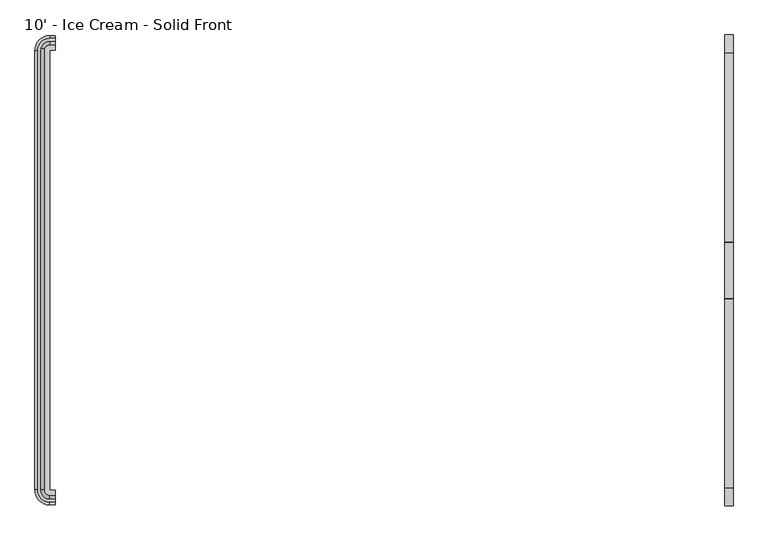
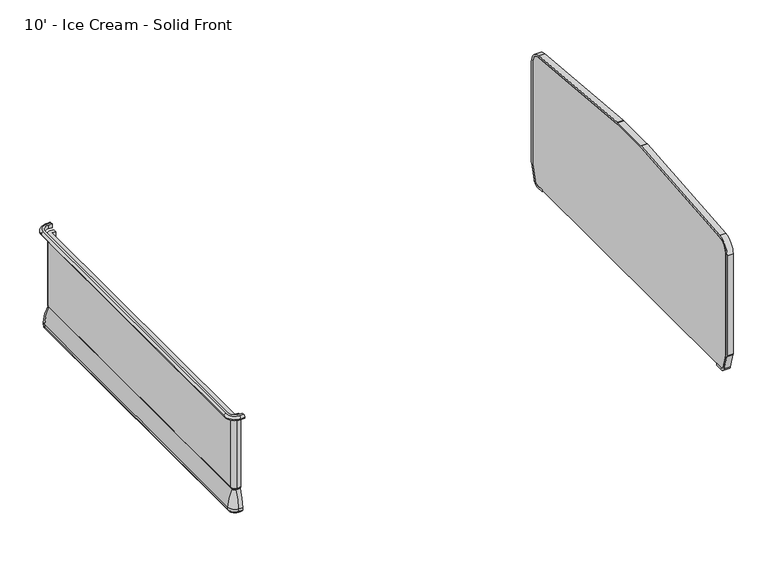
"""IFC4 building model written with IfcOpenShell, lengths in millimetres: proxy geometry, 10' - Ice Cream - Solid Front."""

from ifc_helpers import new_model, si_unit, point, frame, frame_2d, origin, place, context, project, spatial, polyline, circle_curve, ellipse_curve, trimmed, segment, composite_curve, outline, extrude, source, transform, mapped, element, save
from ifc_brep_helpers import plane_surface, cylinder_surface, revolved_surface, advanced_brep


def proxy_10_ice_cream_solid_front_88d4a629(model_context):
    return source(origin(), model_context, "Body", "SolidModel", [
        extrude(outline(composite_curve([segment(trimmed(circle_curve(frame_2d((-448.7907325, 105.4346764)), 25.4), [point((-448.7907325, 80.0346764))], [point((-424.3934681, 98.3683131))], True, "CARTESIAN"), True, "CONTINUOUS"), segment(polyline([(-424.3934681, 98.3683131), (-396.5553629, 194.4819131)]), True, "CONTINUOUS"), segment(trimmed(circle_curve(frame_2d((-420.9526273, 201.5482764)), 25.4), [point((-396.5553629, 194.4819131))], [point((-395.5526273, 201.5482764))], True, "CARTESIAN"), True, "CONTINUOUS"), segment(polyline([(-395.5526273, 201.5482764), (-395.5526273, 867.4346764)]), True, "CONTINUOUS"), segment(trimmed(circle_curve(frame_2d((-471.7526273, 867.4346764)), 76.2), [point((-395.5526273, 867.4346764))], [point((-465.008014, 943.3355999))], True, "CARTESIAN"), True, "CONTINUOUS"), segment(polyline([(-465.008014, 943.3355999), (-1324.7732229, 1019.7349842)]), True, "CONTINUOUS"), segment(trimmed(circle_curve(frame_2d((-1327.0214273, 994.4346764)), 25.4), [point((-1324.7732229, 1019.7349842))], [point((-1327.0214273, 1019.8346764))], True, "CARTESIAN"), True, "CONTINUOUS"), segment(polyline([(-1327.0214273, 1019.8346764), (-1581.0214273, 1019.8346764)]), True, "CONTINUOUS"), segment(trimmed(circle_curve(frame_2d((-1581.0214273, 994.4346764)), 25.4), [point((-1581.0214273, 1019.8346764))], [point((-1583.2696317, 1019.7349842))], True, "CARTESIAN"), True, "CONTINUOUS"), segment(polyline([(-1583.2696317, 1019.7349842), (-2443.0348406, 943.3355999)]), True, "CONTINUOUS"), segment(trimmed(circle_curve(frame_2d((-2436.2902273, 867.4346764)), 76.2), [point((-2443.0348406, 943.3355999))], [point((-2512.4902273, 867.4346764))], True, "CARTESIAN"), True, "CONTINUOUS"), segment(polyline([(-2512.4902273, 867.4346764), (-2512.4902273, 201.5482764)]), True, "CONTINUOUS"), segment(trimmed(circle_curve(frame_2d((-2487.0902273, 201.5482764)), 25.4), [point((-2512.4902273, 201.5482764))], [point((-2511.4874917, 194.4819131))], True, "CARTESIAN"), True, "CONTINUOUS"), segment(polyline([(-2511.4874917, 194.4819131), (-2483.6493865, 98.3683131)]), True, "CONTINUOUS"), segment(trimmed(circle_curve(frame_2d((-2459.2521221, 105.4346764)), 25.4), [point((-2483.6493865, 98.3683131))], [point((-2459.2521221, 80.0346764))], True, "CARTESIAN"), True, "CONTINUOUS"), segment(polyline([(-2459.2521221, 80.0346764), (-2409.6329734, 80.0346764), (-2409.6329734, 67.3346764), (-2459.2521221, 67.3346764)]), True, "CONTINUOUS"), segment(trimmed(circle_curve(frame_2d((-2459.2521221, 105.4346764)), 38.1), [point((-2459.2521221, 67.3346764))], [point((-2495.8480186, 94.8351315))], False, "CARTESIAN"), True, "CONTINUOUS"), segment(polyline([(-2495.8480186, 94.8351315), (-2523.6861239, 190.9487315)]), True, "CONTINUOUS"), segment(trimmed(circle_curve(frame_2d((-2487.0902273, 201.5482764)), 38.1), [point((-2523.6861239, 190.9487315))], [point((-2525.1902273, 201.5482764))], False, "CARTESIAN"), True, "CONTINUOUS"), segment(polyline([(-2525.1902273, 201.5482764), (-2525.1902273, 867.4346764)]), True, "CONTINUOUS"), segment(trimmed(circle_curve(frame_2d((-2436.2902273, 867.4346764)), 88.9), [point((-2525.1902273, 867.4346764))], [point((-2444.1589428, 955.9857538))], False, "CARTESIAN"), True, "CONTINUOUS"), segment(polyline([(-2444.1589428, 955.9857538), (-1584.3937339, 1032.3851381)]), True, "CONTINUOUS"), segment(trimmed(circle_curve(frame_2d((-1581.0214273, 994.4346764)), 38.1), [point((-1584.3937339, 1032.3851381))], [point((-1581.0214273, 1032.5346764))], False, "CARTESIAN"), True, "CONTINUOUS"), segment(polyline([(-1581.0214273, 1032.5346764), (-1327.0214273, 1032.5346764)]), True, "CONTINUOUS"), segment(trimmed(circle_curve(frame_2d((-1327.0214273, 994.4346764)), 38.1), [point((-1327.0214273, 1032.5346764))], [point((-1323.6491207, 1032.3851381))], False, "CARTESIAN"), True, "CONTINUOUS"), segment(polyline([(-1323.6491207, 1032.3851381), (-463.8839118, 955.9857538)]), True, "CONTINUOUS"), segment(trimmed(circle_curve(frame_2d((-471.7526273, 867.4346764)), 88.9), [point((-463.8839118, 955.9857538))], [point((-382.8526273, 867.4346764))], False, "CARTESIAN"), True, "CONTINUOUS"), segment(polyline([(-382.8526273, 867.4346764), (-382.8526273, 201.5482764)]), True, "CONTINUOUS"), segment(trimmed(circle_curve(frame_2d((-420.9526273, 201.5482764)), 38.1), [point((-382.8526273, 201.5482764))], [point((-384.3567307, 190.9487315))], False, "CARTESIAN"), True, "CONTINUOUS"), segment(polyline([(-384.3567307, 190.9487315), (-412.1948359, 94.8351315)]), True, "CONTINUOUS"), segment(trimmed(circle_curve(frame_2d((-448.7907325, 105.4346764)), 38.1), [point((-412.1948359, 94.8351315))], [point((-448.7907325, 67.3346764))], False, "CARTESIAN"), True, "CONTINUOUS"), segment(polyline([(-448.7907325, 67.3346764), (-498.4098812, 67.3346764), (-498.4098812, 80.0346764), (-448.7907325, 80.0346764)]), True, "CONTINUOUS")], self_intersect=False)), frame((3048.0, 0.0, 0.0), z_axis=(1.0, 0.0, 0.0), x_axis=(0.0, 1.0, 0.0)), (0.0, 0.0, 1.0), 38.1),
        extrude(outline(composite_curve([segment(polyline([(-448.7907325, 80.0346764), (-2459.2521221, 80.0346764)]), True, "CONTINUOUS"), segment(trimmed(circle_curve(frame_2d((-2459.2521221, 105.4346764)), 25.4), [point((-2459.2521221, 80.0346764))], [point((-2483.6493865, 98.3683131))], False, "CARTESIAN"), True, "CONTINUOUS"), segment(polyline([(-2483.6493865, 98.3683131), (-2511.4874917, 194.4819131)]), True, "CONTINUOUS"), segment(trimmed(circle_curve(frame_2d((-2487.0902273, 201.5482764)), 25.4), [point((-2511.4874917, 194.4819131))], [point((-2512.4902273, 201.5482764))], False, "CARTESIAN"), True, "CONTINUOUS"), segment(polyline([(-2512.4902273, 201.5482764), (-2512.4902273, 867.4346764)]), True, "CONTINUOUS"), segment(trimmed(circle_curve(frame_2d((-2436.2902273, 867.4346764)), 76.2), [point((-2512.4902273, 867.4346764))], [point((-2443.0348406, 943.3355999))], False, "CARTESIAN"), True, "CONTINUOUS"), segment(polyline([(-2443.0348406, 943.3355999), (-1583.2696317, 1019.7349842)]), True, "CONTINUOUS"), segment(trimmed(circle_curve(frame_2d((-1581.0214273, 994.4346764)), 25.4), [point((-1583.2696317, 1019.7349842))], [point((-1581.0214273, 1019.8346764))], False, "CARTESIAN"), True, "CONTINUOUS"), segment(polyline([(-1581.0214273, 1019.8346764), (-1327.0214273, 1019.8346764)]), True, "CONTINUOUS"), segment(trimmed(circle_curve(frame_2d((-1327.0214273, 994.4346764)), 25.4), [point((-1327.0214273, 1019.8346764))], [point((-1324.7732229, 1019.7349842))], False, "CARTESIAN"), True, "CONTINUOUS"), segment(polyline([(-1324.7732229, 1019.7349842), (-465.008014, 943.3355999)]), True, "CONTINUOUS"), segment(trimmed(circle_curve(frame_2d((-471.7526273, 867.4346764)), 76.2), [point((-465.008014, 943.3355999))], [point((-395.5526273, 867.4346764))], False, "CARTESIAN"), True, "CONTINUOUS"), segment(polyline([(-395.5526273, 867.4346764), (-395.5526273, 201.5482764)]), True, "CONTINUOUS"), segment(trimmed(circle_curve(frame_2d((-420.9526273, 201.5482764)), 25.4), [point((-395.5526273, 201.5482764))], [point((-396.5553629, 194.4819131))], False, "CARTESIAN"), True, "CONTINUOUS"), segment(polyline([(-396.5553629, 194.4819131), (-424.3934681, 98.3683131)]), True, "CONTINUOUS"), segment(trimmed(circle_curve(frame_2d((-448.7907325, 105.4346764)), 25.4), [point((-424.3934681, 98.3683131))], [point((-448.7907325, 80.0346764))], False, "CARTESIAN"), True, "CONTINUOUS")], self_intersect=False)), frame((3048.0, 0.0, 0.0), z_axis=(1.0, 0.0, 0.0), x_axis=(0.0, 1.0, 0.0)), (0.0, 0.0, 1.0), 38.1),
        advanced_brep(
        [(0.0, -2509.5631602, 866.4774073), (0.0, -2522.2631602, 853.7774073), (0.0, -2509.5631602, 841.0774073), (0.0, -2497.1486734, 841.0774073), (0.0, -2497.1486734, 866.4774073), (-23.8125, -2509.5631602, 866.4774073), (-23.8125, -2522.2631602, 853.7774073), (-23.8125, -2509.5631602, 841.0774073), (-79.2292329, -2454.1464273, 841.0774073), (-79.2292329, -453.8964273, 841.0774073), (-23.8125, -398.4796944, 841.0774073), (0.0, -398.4796944, 841.0774073), (0.0, -410.8941812, 841.0774073), (-23.8125, -410.8941812, 841.0774073), (-66.8147461, -453.8964273, 841.0774073), (-66.8147461, -2454.1464273, 841.0774073), (-23.8125, -2497.1486734, 841.0774073), (-23.8125, -2497.1486734, 866.4774073), (-66.8147461, -2454.1464273, 866.4774073), (-66.8147461, -453.8964273, 866.4774073), (-23.8125, -410.8941812, 866.4774073), (0.0, -410.8941812, 866.4774073), (0.0, -398.4796944, 866.4774073), (-23.8125, -398.4796944, 866.4774073), (-79.2292329, -453.8964273, 866.4774073), (-79.2292329, -2454.1464273, 866.4774073), (-91.9292329, -2454.1464273, 853.7774073), (-91.9292329, -453.8964273, 853.7774073), (-23.8125, -385.7796944, 853.7774073), (0.0, -385.7796944, 853.7774073)],
        [
            (0, 1, circle_curve(frame((0.0, -2509.5631602, 853.7774073), z_axis=(1.0, 0.0, 0.0), x_axis=(0.0, -1.0, 0.0)), 12.7)),
            (1, 2, circle_curve(frame((0.0, -2509.5631602, 853.7774073), z_axis=(1.0, 0.0, 0.0), x_axis=(0.0, -1.0, 0.0)), 12.7)),
            (2, 3),
            (3, 4),
            (4, 0),
            (0, 5),
            (5, 6, circle_curve(frame((-23.8125, -2509.5631602, 853.7774073), z_axis=(1.0, 0.0, 0.0), x_axis=(0.0, -1.0, 0.0)), 12.7)),
            (6, 1),
            (6, 7, circle_curve(frame((-23.8125, -2509.5631602, 853.7774073), z_axis=(1.0, 0.0, 0.0), x_axis=(0.0, -1.0, 0.0)), 12.7)),
            (7, 2),
            (7, 8, circle_curve(frame((-23.8125, -2454.1464273, 841.0774073), z_axis=(0.0, 0.0, -1.0), x_axis=(0.0, -1.0, 0.0)), 55.4167329)),
            (8, 9),
            (9, 10, circle_curve(frame((-23.8125, -453.8964273, 841.0774073), z_axis=(0.0, 0.0, -1.0), x_axis=(-1.0, 0.0, 0.0)), 55.4167329)),
            (10, 11),
            (11, 12),
            (12, 13),
            (13, 14, circle_curve(frame((-23.8125, -453.8964273, 841.0774073), z_axis=(0.0, 0.0, 1.0), x_axis=(-1.0, 0.0, 0.0)), 43.0022461)),
            (14, 15),
            (15, 16, circle_curve(frame((-23.8125, -2454.1464273, 841.0774073), z_axis=(0.0, 0.0, 1.0), x_axis=(0.0, -1.0, 0.0)), 43.0022461)),
            (16, 3),
            (16, 17),
            (17, 4),
            (17, 18, circle_curve(frame((-23.8125, -2454.1464273, 866.4774073), z_axis=(0.0, 0.0, -1.0), x_axis=(0.0, -1.0, 0.0)), 43.0022461)),
            (18, 19),
            (19, 20, circle_curve(frame((-23.8125, -453.8964273, 866.4774073), z_axis=(0.0, 0.0, -1.0), x_axis=(-1.0, 0.0, 0.0)), 43.0022461)),
            (20, 21),
            (21, 22),
            (22, 23),
            (23, 24, circle_curve(frame((-23.8125, -453.8964273, 866.4774073), z_axis=(0.0, 0.0, 1.0), x_axis=(-1.0, 0.0, 0.0)), 55.4167329)),
            (24, 25),
            (25, 5, circle_curve(frame((-23.8125, -2454.1464273, 866.4774073), z_axis=(0.0, 0.0, 1.0), x_axis=(0.0, -1.0, 0.0)), 55.4167329)),
            (26, 6, circle_curve(frame((-23.8125, -2454.1464273, 853.7774073), z_axis=(0.0, 0.0, 1.0), x_axis=(0.0, -1.0, 0.0)), 68.1167329)),
            (25, 26, circle_curve(frame((-79.2292329, -2454.1464273, 853.7774073), z_axis=(0.0, -1.0, 0.0), x_axis=(-1.0, 0.0, 0.0)), 12.7)),
            (26, 8, circle_curve(frame((-79.2292329, -2454.1464273, 853.7774073), z_axis=(0.0, -1.0, 0.0), x_axis=(-1.0, 0.0, 0.0)), 12.7)),
            (15, 18),
            (24, 27, circle_curve(frame((-79.2292329, -453.8964273, 853.7774073), z_axis=(0.0, -1.0, 0.0), x_axis=(-1.0, 0.0, 0.0)), 12.7)),
            (27, 26),
            (27, 9, circle_curve(frame((-79.2292329, -453.8964273, 853.7774073), z_axis=(0.0, -1.0, 0.0), x_axis=(-1.0, 0.0, 0.0)), 12.7)),
            (14, 19),
            (28, 27, circle_curve(frame((-23.8125, -453.8964273, 853.7774073), z_axis=(0.0, 0.0, 1.0), x_axis=(-1.0, 0.0, 0.0)), 68.1167329)),
            (23, 28, circle_curve(frame((-23.8125, -398.4796944, 853.7774073), z_axis=(-1.0, 0.0, 0.0), x_axis=(0.0, 1.0, 0.0)), 12.7)),
            (28, 10, circle_curve(frame((-23.8125, -398.4796944, 853.7774073), z_axis=(-1.0, 0.0, 0.0), x_axis=(0.0, 1.0, 0.0)), 12.7)),
            (13, 20),
            (21, 12),
            (11, 29, circle_curve(frame((0.0, -398.4796944, 853.7774073), z_axis=(1.0, 0.0, 0.0), x_axis=(0.0, 1.0, 0.0)), 12.7)),
            (29, 22, circle_curve(frame((0.0, -398.4796944, 853.7774073), z_axis=(1.0, 0.0, 0.0), x_axis=(0.0, 1.0, 0.0)), 12.7)),
            (29, 28),
        ],
        [
            plane_surface(frame((0.0, -2506.5339273, -50.8), z_axis=(1.0, 0.0, 0.0), x_axis=(0.0, 0.0, 1.0))),
            cylinder_surface(frame((0.0, -2509.5631602, 853.7774073), z_axis=(1.0, 0.0, 0.0), x_axis=(0.0, -1.0, 0.0)), 12.7),
            plane_surface(frame((0.0, -2509.5631602, 841.0774073), z_axis=(0.0, 0.0, -1.0), x_axis=(-1.0, 0.0, 0.0))),
            plane_surface(frame((0.0, -2497.1486734, 841.0774073), z_axis=(0.0, 1.0, 0.0), x_axis=(-1.0, 0.0, 0.0))),
            plane_surface(frame((0.0, -2497.1486734, 866.4774073), z_axis=(0.0, 0.0, 1.0), x_axis=(-1.0, 0.0, 0.0))),
            revolved_surface(trimmed(ellipse_curve(frame((-23.8125, -2509.5631602, 853.7774073), z_axis=(1.0, 0.0, 0.0), x_axis=(0.0, -1.0, 0.0)), 12.7, 12.7), [point((-23.8125, -2509.5631602, 866.4774073))], [point((-23.8125, -2522.2631602, 853.7774073))], True, "CARTESIAN"), (-23.8125, -2454.1464273, -50.8), (0.0, 0.0, -1.0)),
            revolved_surface(trimmed(ellipse_curve(frame((-23.8125, -2509.5631602, 853.7774073), z_axis=(1.0, 0.0, 0.0), x_axis=(0.0, -1.0, 0.0)), 12.7, 12.7), [point((-23.8125, -2522.2631602, 853.7774073))], [point((-23.8125, -2509.5631602, 841.0774073))], True, "CARTESIAN"), (-23.8125, -2454.1464273, -50.8), (0.0, 0.0, -1.0)),
            revolved_surface(polyline([(-23.8125, -2497.1486734, 841.0774073), (-23.8125, -2497.1486734, 866.4774073)]), (-23.8125, -2454.1464273, -50.8), (0.0, 0.0, -1.0)),
            cylinder_surface(frame((-79.2292329, -2454.1464273, 853.7774073), z_axis=(0.0, -1.0, 0.0), x_axis=(-1.0, 0.0, 0.0)), 12.7),
            plane_surface(frame((-66.8147461, -2454.1464273, 841.0774073), z_axis=(1.0, 0.0, 0.0), x_axis=(0.0, 1.0, 0.0))),
            revolved_surface(trimmed(ellipse_curve(frame((-79.2292329, -453.8964273, 853.7774073), z_axis=(0.0, -1.0, 0.0), x_axis=(-1.0, 0.0, 0.0)), 12.7, 12.7), [point((-79.2292329, -453.8964273, 866.4774073))], [point((-91.9292329, -453.8964273, 853.7774073))], True, "CARTESIAN"), (-23.8125, -453.8964273, -50.8), (0.0, 0.0, -1.0)),
            revolved_surface(trimmed(ellipse_curve(frame((-79.2292329, -453.8964273, 853.7774073), z_axis=(0.0, -1.0, 0.0), x_axis=(-1.0, 0.0, 0.0)), 12.7, 12.7), [point((-91.9292329, -453.8964273, 853.7774073))], [point((-79.2292329, -453.8964273, 841.0774073))], True, "CARTESIAN"), (-23.8125, -453.8964273, -50.8), (0.0, 0.0, -1.0)),
            revolved_surface(polyline([(-66.81474610000001, -453.8964273, 841.0774073), (-66.81474610000001, -453.8964273, 866.4774073)]), (-23.8125, -453.8964273, -50.8), (0.0, 0.0, -1.0)),
            plane_surface(frame((0.0, -401.5089273, -50.8), z_axis=(1.0, 0.0, 0.0), x_axis=(0.0, 0.0, 1.0))),
            cylinder_surface(frame((-23.8125, -398.4796944, 853.7774073), z_axis=(-1.0, 0.0, 0.0), x_axis=(0.0, 1.0, 0.0)), 12.7),
            plane_surface(frame((-23.8125, -410.8941812, 841.0774073), z_axis=(0.0, -1.0, 0.0), x_axis=(1.0, 0.0, 0.0))),
        ],
        [
            (0, [[1, 2, 3, 4, 5]]),
            (1, [[-1, 6, 7, 8]]),
            (1, [[-2, -8, 9, 10]]),
            (2, [[-3, -10, 11, 12, 13, 14, 15, 16, 17, 18, 19, 20]]),
            (3, [[-4, -20, 21, 22]]),
            (4, [[-5, -22, 23, 24, 25, 26, 27, 28, 29, 30, 31, -6]]),
            (5, [[32, -7, -31, 33]]),
            (6, [[-11, -9, -32, 34]]),
            (7, [[-23, -21, -19, 35]]),
            (8, [[-33, -30, 36, 37]]),
            (8, [[-34, -37, 38, -12]]),
            (9, [[-35, -18, 39, -24]]),
            (10, [[40, -36, -29, 41]]),
            (11, [[-13, -38, -40, 42]]),
            (12, [[-25, -39, -17, 43]]),
            (13, [[-27, 44, -15, 45, 46]]),
            (14, [[-41, -28, -46, 47]]),
            (14, [[-42, -47, -45, -14]]),
            (15, [[-43, -16, -44, -26]]),
        ],
    ),
        advanced_brep(
        [(0.0, -2454.774197, 212.6925638), (0.0, -2454.774197, 358.1075638), (0.0, -2459.036449, 358.1075638), (0.0, -2459.036449, 353.8876761), (0.0, -2470.5758305, 346.6306987), (0.0, -2497.4082007, 235.3283913), (0.0, -2497.4082007, 218.3404259), (0.0, -2489.2203386, 210.1525638), (0.0, -2484.436449, 210.1525638), (0.0, -2484.436449, 212.6925638), (0.0, -444.5374076, 212.6925638), (0.0, -414.8751556, 212.6925638), (0.0, -414.8751556, 210.1525638), (0.0, -410.091266, 210.1525638), (0.0, -401.9034039, 218.3404259), (0.0, -401.9034039, 235.3283913), (0.0, -428.7357741, 346.6306987), (0.0, -440.2751556, 353.8876761), (0.0, -440.2751556, 358.1075638), (0.0, -444.5374076, 358.1075638), (-23.8125, -2454.774197, 212.6925638), (-23.8125, -2454.774197, 358.1075638), (-24.4402697, -2454.1464273, 358.1075638), (-24.4402697, -445.1651773, 358.1075638), (-23.8125, -444.5374076, 358.1075638), (-23.8125, -440.2751556, 358.1075638), (-28.7025217, -445.1651773, 358.1075638), (-28.7025217, -2454.1464273, 358.1075638), (-23.8125, -2459.036449, 358.1075638), (-23.8125, -2459.036449, 353.8876761), (-23.8125, -2470.5758305, 346.6306987), (-23.8125, -2497.4082007, 235.3283913), (-23.8125, -2497.4082007, 218.3404259), (-23.8125, -2489.2203386, 210.1525638), (-58.8864113, -2454.1464273, 210.1525638), (-58.8864113, -445.1651773, 210.1525638), (-23.8125, -410.091266, 210.1525638), (-23.8125, -414.8751556, 210.1525638), (-54.1025217, -445.1651773, 210.1525638), (-54.1025217, -2454.1464273, 210.1525638), (-23.8125, -2484.436449, 210.1525638), (-23.8125, -2484.436449, 212.6925638), (-54.1025217, -2454.1464273, 212.6925638), (-54.1025217, -445.1651773, 212.6925638), (-23.8125, -414.8751556, 212.6925638), (-23.8125, -444.5374076, 212.6925638), (-24.4402697, -445.1651773, 212.6925638), (-24.4402697, -2454.1464273, 212.6925638), (-28.7025217, -2454.1464273, 353.8876761), (-40.2419032, -2454.1464273, 346.6306987), (-67.0742734, -2454.1464273, 235.3283913), (-67.0742734, -2454.1464273, 218.3404259), (-28.7025217, -445.1651773, 353.8876761), (-40.2419032, -445.1651773, 346.6306987), (-67.0742734, -445.1651773, 235.3283913), (-67.0742734, -445.1651773, 218.3404259), (-23.8125, -440.2751556, 353.8876761), (-23.8125, -428.7357741, 346.6306987), (-23.8125, -401.9034039, 235.3283913), (-23.8125, -401.9034039, 218.3404259)],
        [
            (0, 1),
            (1, 2),
            (2, 3),
            (3, 4, circle_curve(frame((0.0, -2459.1012802, 341.1878416), z_axis=(1.0, 0.0, 0.0), x_axis=(0.0, -1.0, 0.0)), 12.7)),
            (4, 5, circle_curve(frame((0.0, -2218.1357225, 226.8878416), z_axis=(1.0, 0.0, 0.0), x_axis=(0.0, -1.0, 0.0)), 279.4)),
            (5, 6),
            (6, 7, circle_curve(frame((0.0, -2489.2203386, 218.3404259), z_axis=(1.0, 0.0, 0.0), x_axis=(0.0, -1.0, 0.0)), 8.1878621)),
            (7, 8),
            (8, 9),
            (9, 0),
            (10, 11),
            (11, 12),
            (12, 13),
            (13, 14, circle_curve(frame((0.0, -410.091266, 218.3404259), z_axis=(1.0, 0.0, 0.0), x_axis=(0.0, 1.0, 0.0)), 8.1878621)),
            (14, 15),
            (15, 16, circle_curve(frame((0.0, -681.1758821, 226.8878416), z_axis=(1.0, 0.0, 0.0), x_axis=(0.0, 1.0, 0.0)), 279.4)),
            (16, 17, circle_curve(frame((0.0, -440.2103244, 341.1878416), z_axis=(1.0, 0.0, 0.0), x_axis=(0.0, 1.0, 0.0)), 12.7)),
            (17, 18),
            (18, 19),
            (19, 10),
            (0, 20),
            (20, 21),
            (21, 1),
            (21, 22, circle_curve(frame((-23.8125, -2454.1464273, 358.1075638), z_axis=(0.0, 0.0, -1.0), x_axis=(0.0, -1.0, 0.0)), 0.6277697)),
            (22, 23),
            (23, 24, circle_curve(frame((-23.8125, -445.1651773, 358.1075638), z_axis=(0.0, 0.0, -1.0), x_axis=(-1.0, 0.0, 0.0)), 0.6277697)),
            (24, 19),
            (18, 25),
            (25, 26, circle_curve(frame((-23.8125, -445.1651773, 358.1075638), z_axis=(0.0, 0.0, 1.0), x_axis=(-1.0, 0.0, 0.0)), 4.8900217)),
            (26, 27),
            (27, 28, circle_curve(frame((-23.8125, -2454.1464273, 358.1075638), z_axis=(0.0, 0.0, 1.0), x_axis=(0.0, -1.0, 0.0)), 4.8900217)),
            (28, 2),
            (28, 29),
            (29, 3),
            (29, 30, circle_curve(frame((-23.8125, -2459.1012802, 341.1878416), z_axis=(1.0, 0.0, 0.0), x_axis=(0.0, -1.0, 0.0)), 12.7)),
            (30, 4),
            (30, 31, circle_curve(frame((-23.8125, -2218.1357225, 226.8878416), z_axis=(1.0, 0.0, 0.0), x_axis=(0.0, -1.0, 0.0)), 279.4)),
            (31, 5),
            (31, 32),
            (32, 6),
            (7, 33),
            (33, 34, circle_curve(frame((-23.8125, -2454.1464273, 210.1525638), z_axis=(0.0, 0.0, -1.0), x_axis=(0.0, -1.0, 0.0)), 35.0739113)),
            (34, 35),
            (35, 36, circle_curve(frame((-23.8125, -445.1651773, 210.1525638), z_axis=(0.0, 0.0, -1.0), x_axis=(-1.0, 0.0, 0.0)), 35.0739113)),
            (36, 13),
            (12, 37),
            (37, 38, circle_curve(frame((-23.8125, -445.1651773, 210.1525638), z_axis=(0.0, 0.0, 1.0), x_axis=(-1.0, 0.0, 0.0)), 30.2900217)),
            (38, 39),
            (39, 40, circle_curve(frame((-23.8125, -2454.1464273, 210.1525638), z_axis=(0.0, 0.0, 1.0), x_axis=(0.0, -1.0, 0.0)), 30.2900217)),
            (40, 8),
            (40, 41),
            (41, 9),
            (41, 42, circle_curve(frame((-23.8125, -2454.1464273, 212.6925638), z_axis=(0.0, 0.0, -1.0), x_axis=(0.0, -1.0, 0.0)), 30.2900217)),
            (42, 43),
            (43, 44, circle_curve(frame((-23.8125, -445.1651773, 212.6925638), z_axis=(0.0, 0.0, -1.0), x_axis=(-1.0, 0.0, 0.0)), 30.2900217)),
            (44, 11),
            (10, 45),
            (45, 46, circle_curve(frame((-23.8125, -445.1651773, 212.6925638), z_axis=(0.0, 0.0, 1.0), x_axis=(-1.0, 0.0, 0.0)), 0.6277697)),
            (46, 47),
            (47, 20, circle_curve(frame((-23.8125, -2454.1464273, 212.6925638), z_axis=(0.0, 0.0, 1.0), x_axis=(0.0, -1.0, 0.0)), 0.6277697)),
            (47, 22),
            (48, 29, circle_curve(frame((-23.8125, -2454.1464273, 353.8876761), z_axis=(0.0, 0.0, 1.0), x_axis=(0.0, -1.0, 0.0)), 4.8900217)),
            (27, 48),
            (49, 30, circle_curve(frame((-23.8125, -2454.1464273, 346.6306987), z_axis=(0.0, 0.0, 1.0), x_axis=(0.0, -1.0, 0.0)), 16.4294032)),
            (48, 49, circle_curve(frame((-28.7673529, -2454.1464273, 341.1878416), z_axis=(0.0, -1.0, 0.0), x_axis=(-1.0, 0.0, 0.0)), 12.7)),
            (50, 31, circle_curve(frame((-23.8125, -2454.1464273, 235.3283913), z_axis=(0.0, 0.0, 1.0), x_axis=(0.0, -1.0, 0.0)), 43.2617734)),
            (49, 50, circle_curve(frame((212.1982048, -2454.1464273, 226.8878416), z_axis=(0.0, -1.0, 0.0), x_axis=(-1.0, 0.0, 0.0)), 279.4)),
            (51, 32, circle_curve(frame((-23.8125, -2454.1464273, 218.3404259), z_axis=(0.0, 0.0, 1.0), x_axis=(0.0, -1.0, 0.0)), 43.2617734)),
            (50, 51),
            (39, 42),
            (46, 23),
            (26, 52),
            (52, 48),
            (52, 53, circle_curve(frame((-28.7673529, -445.1651773, 341.1878416), z_axis=(0.0, -1.0, 0.0), x_axis=(-1.0, 0.0, 0.0)), 12.7)),
            (53, 49),
            (53, 54, circle_curve(frame((212.1982048, -445.1651773, 226.8878416), z_axis=(0.0, -1.0, 0.0), x_axis=(-1.0, 0.0, 0.0)), 279.4)),
            (54, 50),
            (54, 55),
            (55, 51),
            (38, 43),
            (45, 24),
            (56, 52, circle_curve(frame((-23.8125, -445.1651773, 353.8876761), z_axis=(0.0, 0.0, 1.0), x_axis=(-1.0, 0.0, 0.0)), 4.8900217)),
            (25, 56),
            (57, 53, circle_curve(frame((-23.8125, -445.1651773, 346.6306987), z_axis=(0.0, 0.0, 1.0), x_axis=(-1.0, 0.0, 0.0)), 16.4294032)),
            (56, 57, circle_curve(frame((-23.8125, -440.2103244, 341.1878416), z_axis=(-1.0, 0.0, 0.0), x_axis=(0.0, 1.0, 0.0)), 12.7)),
            (58, 54, circle_curve(frame((-23.8125, -445.1651773, 235.3283913), z_axis=(0.0, 0.0, 1.0), x_axis=(-1.0, 0.0, 0.0)), 43.2617734)),
            (57, 58, circle_curve(frame((-23.8125, -681.1758821, 226.8878416), z_axis=(-1.0, 0.0, 0.0), x_axis=(0.0, 1.0, 0.0)), 279.4)),
            (59, 55, circle_curve(frame((-23.8125, -445.1651773, 218.3404259), z_axis=(0.0, 0.0, 1.0), x_axis=(-1.0, 0.0, 0.0)), 43.2617734)),
            (58, 59),
            (37, 44),
            (17, 56),
            (16, 57),
            (15, 58),
            (14, 59),
            (32, 33, circle_curve(frame((-23.8125, -2489.2203386, 218.3404259), z_axis=(1.0, 0.0, 0.0), x_axis=(0.0, -1.0, 0.0)), 8.1878621)),
            (51, 34, circle_curve(frame((-58.8864113, -2454.1464273, 218.3404259), z_axis=(0.0, -1.0, 0.0), x_axis=(-1.0, 0.0, 0.0)), 8.1878621)),
            (55, 35, circle_curve(frame((-58.8864113, -445.1651773, 218.3404259), z_axis=(0.0, -1.0, 0.0), x_axis=(-1.0, 0.0, 0.0)), 8.1878621)),
            (59, 36, circle_curve(frame((-23.8125, -410.091266, 218.3404259), z_axis=(-1.0, 0.0, 0.0), x_axis=(0.0, 1.0, 0.0)), 8.1878621)),
        ],
        [
            plane_surface(frame((0.0, -2506.5339273, 279.4), z_axis=(1.0, 0.0, 0.0), x_axis=(0.0, 0.0, 1.0))),
            plane_surface(frame((0.0, -392.7776773, 279.4), z_axis=(1.0, 0.0, 0.0), x_axis=(0.0, 0.0, 1.0))),
            plane_surface(frame((0.0, -2454.774197, 212.6925638), z_axis=(0.0, 1.0, 0.0), x_axis=(-1.0, 0.0, 0.0))),
            plane_surface(frame((0.0, -2454.774197, 358.1075638), z_axis=(0.0, 0.0, 1.0), x_axis=(-1.0, 0.0, 0.0))),
            plane_surface(frame((0.0, -2459.036449, 358.1075638), z_axis=(0.0, -1.0, 0.0), x_axis=(-1.0, 0.0, 0.0))),
            cylinder_surface(frame((0.0, -2459.1012802, 341.1878416), z_axis=(1.0, 0.0, 0.0), x_axis=(0.0, -1.0, 0.0)), 12.7),
            cylinder_surface(frame((0.0, -2218.1357225, 226.8878416), z_axis=(1.0, 0.0, 0.0), x_axis=(0.0, -1.0, 0.0)), 279.4),
            plane_surface(frame((0.0, -2497.4082007, 235.3283913), z_axis=(0.0, -1.0, 0.0), x_axis=(-1.0, 0.0, 0.0))),
            plane_surface(frame((0.0, -2489.2203386, 210.1525638), z_axis=(0.0, 0.0, -1.0), x_axis=(-1.0, 0.0, 0.0))),
            plane_surface(frame((0.0, -2484.436449, 210.1525638), z_axis=(0.0, 1.0, 0.0), x_axis=(-1.0, 0.0, 0.0))),
            plane_surface(frame((0.0, -2484.436449, 212.6925638), z_axis=(0.0, 0.0, -1.0), x_axis=(-1.0, 0.0, 0.0))),
            revolved_surface(polyline([(-23.8125, -2454.774197, 212.6925638), (-23.8125, -2454.774197, 358.1075638)]), (-23.8125, -2454.1464273, 279.4), (0.0, 0.0, -1.0)),
            cylinder_surface(frame((-23.8125, -2454.1464273, 279.4), z_axis=(0.0, 0.0, -1.0), x_axis=(0.0, -1.0, 0.0)), 4.8900217),
            revolved_surface(trimmed(ellipse_curve(frame((-23.8125, -2459.1012802, 341.1878416), z_axis=(1.0, 0.0, 0.0), x_axis=(0.0, -1.0, 0.0)), 12.7, 12.7), [point((-23.8125, -2459.036449, 353.8876761))], [point((-23.8125, -2470.5758305, 346.6306987))], True, "CARTESIAN"), (-23.8125, -2454.1464273, 279.4), (0.0, 0.0, -1.0)),
            revolved_surface(trimmed(ellipse_curve(frame((-23.8125, -2218.1357225, 226.8878416), z_axis=(1.0, 0.0, 0.0), x_axis=(0.0, -1.0, 0.0)), 279.4, 279.4), [point((-23.8125, -2470.5758305, 346.6306987))], [point((-23.8125, -2497.4082007, 235.3283913))], True, "CARTESIAN"), (-23.8125, -2454.1464273, 279.4), (0.0, 0.0, -1.0)),
            cylinder_surface(frame((-23.8125, -2454.1464273, 279.4), z_axis=(0.0, 0.0, -1.0), x_axis=(0.0, -1.0, 0.0)), 43.2617734),
            revolved_surface(polyline([(-23.8125, -2484.4364490000003, 210.1525638), (-23.8125, -2484.4364490000003, 212.6925638)]), (-23.8125, -2454.1464273, 279.4), (0.0, 0.0, -1.0)),
            plane_surface(frame((-24.4402697, -2454.1464273, 212.6925638), z_axis=(1.0, 0.0, 0.0), x_axis=(0.0, 1.0, 0.0))),
            plane_surface(frame((-28.7025217, -2454.1464273, 358.1075638), z_axis=(-1.0, 0.0, 0.0), x_axis=(0.0, 1.0, 0.0))),
            cylinder_surface(frame((-28.7673529, -2454.1464273, 341.1878416), z_axis=(0.0, -1.0, 0.0), x_axis=(-1.0, 0.0, 0.0)), 12.7),
            cylinder_surface(frame((212.1982048, -2454.1464273, 226.8878416), z_axis=(0.0, -1.0, 0.0), x_axis=(-1.0, 0.0, 0.0)), 279.4),
            plane_surface(frame((-67.0742734, -2454.1464273, 235.3283913), z_axis=(-1.0, 0.0, 0.0), x_axis=(0.0, 1.0, 0.0))),
            plane_surface(frame((-54.1025217, -2454.1464273, 210.1525638), z_axis=(1.0, 0.0, 0.0), x_axis=(0.0, 1.0, 0.0))),
            revolved_surface(polyline([(-24.4402697, -445.1651773, 212.6925638), (-24.4402697, -445.1651773, 358.1075638)]), (-23.8125, -445.1651773, 279.4), (0.0, 0.0, -1.0)),
            cylinder_surface(frame((-23.8125, -445.1651773, 279.4), z_axis=(0.0, 0.0, -1.0), x_axis=(-1.0, 0.0, 0.0)), 4.8900217),
            revolved_surface(trimmed(ellipse_curve(frame((-28.7673529, -445.1651773, 341.1878416), z_axis=(0.0, -1.0, 0.0), x_axis=(-1.0, 0.0, 0.0)), 12.7, 12.7), [point((-28.7025217, -445.1651773, 353.8876761))], [point((-40.2419032, -445.1651773, 346.6306987))], True, "CARTESIAN"), (-23.8125, -445.1651773, 279.4), (0.0, 0.0, -1.0)),
            revolved_surface(trimmed(ellipse_curve(frame((212.1982048, -445.1651773, 226.8878416), z_axis=(0.0, -1.0, 0.0), x_axis=(-1.0, 0.0, 0.0)), 279.4, 279.4), [point((-40.2419032, -445.1651773, 346.6306987))], [point((-67.0742734, -445.1651773, 235.3283913))], True, "CARTESIAN"), (-23.8125, -445.1651773, 279.4), (0.0, 0.0, -1.0)),
            cylinder_surface(frame((-23.8125, -445.1651773, 279.4), z_axis=(0.0, 0.0, -1.0), x_axis=(-1.0, 0.0, 0.0)), 43.2617734),
            revolved_surface(polyline([(-54.1025217, -445.1651773, 210.1525638), (-54.1025217, -445.1651773, 212.6925638)]), (-23.8125, -445.1651773, 279.4), (0.0, 0.0, -1.0)),
            plane_surface(frame((-23.8125, -444.5374076, 212.6925638), z_axis=(0.0, -1.0, 0.0), x_axis=(1.0, 0.0, 0.0))),
            plane_surface(frame((-23.8125, -440.2751556, 358.1075638), z_axis=(0.0, 1.0, 0.0), x_axis=(1.0, 0.0, 0.0))),
            cylinder_surface(frame((-23.8125, -440.2103244, 341.1878416), z_axis=(-1.0, 0.0, 0.0), x_axis=(0.0, 1.0, 0.0)), 12.7),
            cylinder_surface(frame((-23.8125, -681.1758821, 226.8878416), z_axis=(-1.0, 0.0, 0.0), x_axis=(0.0, 1.0, 0.0)), 279.4),
            plane_surface(frame((-23.8125, -401.9034039, 235.3283913), z_axis=(0.0, 1.0, 0.0), x_axis=(1.0, 0.0, 0.0))),
            plane_surface(frame((-23.8125, -414.8751556, 210.1525638), z_axis=(0.0, -1.0, 0.0), x_axis=(1.0, 0.0, 0.0))),
            cylinder_surface(frame((0.0, -2489.2203386, 218.3404259), z_axis=(1.0, 0.0, 0.0), x_axis=(0.0, -1.0, 0.0)), 8.1878621),
            revolved_surface(trimmed(ellipse_curve(frame((-23.8125, -2489.2203386, 218.3404259), z_axis=(1.0, 0.0, 0.0), x_axis=(0.0, -1.0, 0.0)), 8.1878621, 8.1878621), [point((-23.8125, -2497.4082007, 218.3404259))], [point((-23.8125, -2489.2203386, 210.1525638))], True, "CARTESIAN"), (-23.8125, -2454.1464273, 279.4), (0.0, 0.0, -1.0)),
            cylinder_surface(frame((-58.8864113, -2454.1464273, 218.3404259), z_axis=(0.0, -1.0, 0.0), x_axis=(-1.0, 0.0, 0.0)), 8.1878621),
            revolved_surface(trimmed(ellipse_curve(frame((-58.8864113, -445.1651773, 218.3404259), z_axis=(0.0, -1.0, 0.0), x_axis=(-1.0, 0.0, 0.0)), 8.1878621, 8.1878621), [point((-67.0742734, -445.1651773, 218.3404259))], [point((-58.8864113, -445.1651773, 210.1525638))], True, "CARTESIAN"), (-23.8125, -445.1651773, 279.4), (0.0, 0.0, -1.0)),
            cylinder_surface(frame((-23.8125, -410.091266, 218.3404259), z_axis=(-1.0, 0.0, 0.0), x_axis=(0.0, 1.0, 0.0)), 8.1878621),
        ],
        [
            (0, [[1, 2, 3, 4, 5, 6, 7, 8, 9, 10]]),
            (1, [[11, 12, 13, 14, 15, 16, 17, 18, 19, 20]]),
            (2, [[-1, 21, 22, 23]]),
            (3, [[-2, -23, 24, 25, 26, 27, -19, 28, 29, 30, 31, 32]]),
            (4, [[-3, -32, 33, 34]]),
            (5, [[-4, -34, 35, 36]]),
            (6, [[-5, -36, 37, 38]]),
            (7, [[-6, -38, 39, 40]]),
            (8, [[-8, 41, 42, 43, 44, 45, -13, 46, 47, 48, 49, 50]]),
            (9, [[-9, -50, 51, 52]]),
            (10, [[-10, -52, 53, 54, 55, 56, -11, 57, 58, 59, 60, -21]]),
            (11, [[-24, -22, -60, 61]]),
            (12, [[62, -33, -31, 63]]),
            (13, [[64, -35, -62, 65]]),
            (14, [[66, -37, -64, 67]]),
            (15, [[68, -39, -66, 69]]),
            (16, [[-53, -51, -49, 70]]),
            (17, [[-61, -59, 71, -25]]),
            (18, [[-63, -30, 72, 73]]),
            (19, [[-65, -73, 74, 75]]),
            (20, [[-67, -75, 76, 77]]),
            (21, [[-69, -77, 78, 79]]),
            (22, [[-70, -48, 80, -54]]),
            (23, [[-26, -71, -58, 81]]),
            (24, [[82, -72, -29, 83]]),
            (25, [[84, -74, -82, 85]]),
            (26, [[86, -76, -84, 87]]),
            (27, [[88, -78, -86, 89]]),
            (28, [[-55, -80, -47, 90]]),
            (29, [[-81, -57, -20, -27]]),
            (30, [[-83, -28, -18, 91]]),
            (31, [[-85, -91, -17, 92]]),
            (32, [[-87, -92, -16, 93]]),
            (33, [[-89, -93, -15, 94]]),
            (34, [[-90, -46, -12, -56]]),
            (35, [[-7, -40, 95, -41]]),
            (36, [[-42, -95, -68, 96]]),
            (37, [[-96, -79, 97, -43]]),
            (38, [[-44, -97, -88, 98]]),
            (39, [[-98, -94, -14, -45]]),
        ],
    ),
        advanced_brep(
        [(0.0, -2478.2764734, 840.1995638), (0.0, -2478.2764734, 359.6315638), (0.0, -2476.7524734, 358.1075638), (0.0, -2454.774197, 358.1075638), (0.0, -2454.774197, 840.1995638), (0.0, -429.7663812, 840.1995638), (0.0, -453.2686576, 840.1995638), (0.0, -453.2686576, 358.1075638), (0.0, -431.2903812, 358.1075638), (0.0, -429.7663812, 359.6315638), (-23.8125, -2454.774197, 840.1995638), (-24.4402697, -2454.1464273, 840.1995638), (-24.4402697, -453.8964273, 840.1995638), (-23.8125, -453.2686576, 840.1995638), (-23.8125, -429.7663812, 840.1995638), (-47.9425461, -453.8964273, 840.1995638), (-47.9425461, -2454.1464273, 840.1995638), (-23.8125, -2478.2764734, 840.1995638), (-23.8125, -2454.774197, 358.1075638), (-24.4402697, -2454.1464273, 358.1075638), (-24.4402697, -453.8964273, 358.1075638), (-23.8125, -453.2686576, 358.1075638), (-23.8125, -2478.2764734, 359.6315638), (-23.8125, -2476.7524734, 358.1075638), (-46.4185461, -2454.1464273, 358.1075638), (-46.4185461, -453.8964273, 358.1075638), (-23.8125, -431.2903812, 358.1075638), (-47.9425461, -2454.1464273, 359.6315638), (-47.9425461, -453.8964273, 359.6315638), (-23.8125, -429.7663812, 359.6315638)],
        [
            (0, 1),
            (1, 2, circle_curve(frame((0.0, -2476.7524734, 359.6315638), z_axis=(1.0, 0.0, 0.0), x_axis=(0.0, -1.0, 0.0)), 1.524)),
            (2, 3),
            (3, 4),
            (4, 0),
            (5, 6),
            (6, 7),
            (7, 8),
            (8, 9, circle_curve(frame((0.0, -431.2903812, 359.6315638), z_axis=(1.0, 0.0, 0.0), x_axis=(0.0, 1.0, 0.0)), 1.524)),
            (9, 5),
            (4, 10),
            (10, 11, circle_curve(frame((-23.8125, -2454.1464273, 840.1995638), z_axis=(0.0, 0.0, -1.0), x_axis=(0.0, -1.0, 0.0)), 0.6277697)),
            (11, 12),
            (12, 13, circle_curve(frame((-23.8125, -453.8964273, 840.1995638), z_axis=(0.0, 0.0, -1.0), x_axis=(-1.0, 0.0, 0.0)), 0.6277697)),
            (13, 6),
            (5, 14),
            (14, 15, circle_curve(frame((-23.8125, -453.8964273, 840.1995638), z_axis=(0.0, 0.0, 1.0), x_axis=(-1.0, 0.0, 0.0)), 24.1300461)),
            (15, 16),
            (16, 17, circle_curve(frame((-23.8125, -2454.1464273, 840.1995638), z_axis=(0.0, 0.0, 1.0), x_axis=(0.0, -1.0, 0.0)), 24.1300461)),
            (17, 0),
            (3, 18),
            (18, 10),
            (11, 19),
            (19, 20),
            (20, 12),
            (13, 21),
            (21, 7),
            (18, 19, circle_curve(frame((-23.8125, -2454.1464273, 358.1075638), z_axis=(0.0, 0.0, -1.0), x_axis=(0.0, -1.0, 0.0)), 0.6277697)),
            (17, 22),
            (22, 1),
            (22, 23, circle_curve(frame((-23.8125, -2476.7524734, 359.6315638), z_axis=(1.0, 0.0, 0.0), x_axis=(0.0, -1.0, 0.0)), 1.524)),
            (23, 2),
            (23, 24, circle_curve(frame((-23.8125, -2454.1464273, 358.1075638), z_axis=(0.0, 0.0, -1.0), x_axis=(0.0, -1.0, 0.0)), 22.6060461)),
            (24, 25),
            (25, 26, circle_curve(frame((-23.8125, -453.8964273, 358.1075638), z_axis=(0.0, 0.0, -1.0), x_axis=(-1.0, 0.0, 0.0)), 22.6060461)),
            (26, 8),
            (21, 20, circle_curve(frame((-23.8125, -453.8964273, 358.1075638), z_axis=(0.0, 0.0, 1.0), x_axis=(-1.0, 0.0, 0.0)), 0.6277697)),
            (27, 22, circle_curve(frame((-23.8125, -2454.1464273, 359.6315638), z_axis=(0.0, 0.0, 1.0), x_axis=(0.0, -1.0, 0.0)), 24.1300461)),
            (16, 27),
            (27, 24, circle_curve(frame((-46.4185461, -2454.1464273, 359.6315638), z_axis=(0.0, -1.0, 0.0), x_axis=(-1.0, 0.0, 0.0)), 1.524)),
            (15, 28),
            (28, 27),
            (28, 25, circle_curve(frame((-46.4185461, -453.8964273, 359.6315638), z_axis=(0.0, -1.0, 0.0), x_axis=(-1.0, 0.0, 0.0)), 1.524)),
            (29, 14),
            (9, 29),
            (26, 29, circle_curve(frame((-23.8125, -431.2903812, 359.6315638), z_axis=(1.0, 0.0, 0.0), x_axis=(0.0, 1.0, 0.0)), 1.524)),
            (29, 28, circle_curve(frame((-23.8125, -453.8964273, 359.6315638), z_axis=(0.0, 0.0, 1.0), x_axis=(-1.0, 0.0, 0.0)), 24.1300461)),
        ],
        [
            plane_surface(frame((0.0, -2506.5339273, 228.6), z_axis=(1.0, 0.0, 0.0), x_axis=(0.0, 0.0, 1.0))),
            plane_surface(frame((0.0, -401.5089273, 228.6), z_axis=(1.0, 0.0, 0.0), x_axis=(0.0, 0.0, 1.0))),
            plane_surface(frame((0.0, -2454.774197, 840.1995638), z_axis=(0.0, 0.0, 1.0), x_axis=(-1.0, 0.0, 0.0))),
            plane_surface(frame((0.0, -2454.774197, 358.1075638), z_axis=(0.0, 1.0, 0.0), x_axis=(-1.0, 0.0, 0.0))),
            plane_surface(frame((-24.4402697, -2454.1464273, 358.1075638), z_axis=(1.0, 0.0, 0.0), x_axis=(0.0, 1.0, 0.0))),
            plane_surface(frame((-23.8125, -453.2686576, 358.1075638), z_axis=(0.0, -1.0, 0.0), x_axis=(1.0, 0.0, 0.0))),
            revolved_surface(polyline([(-23.8125, -2454.774197, 358.1075638), (-23.8125, -2454.774197, 840.1995638)]), (-23.8125, -2454.1464273, 228.6), (0.0, 0.0, -1.0)),
            plane_surface(frame((0.0, -2478.2764734, 840.1995638), z_axis=(0.0, -1.0, 0.0), x_axis=(-1.0, 0.0, 0.0))),
            cylinder_surface(frame((0.0, -2476.7524734, 359.6315638), z_axis=(1.0, 0.0, 0.0), x_axis=(0.0, -1.0, 0.0)), 1.524),
            plane_surface(frame((0.0, -2476.7524734, 358.1075638), z_axis=(0.0, 0.0, -1.0), x_axis=(-1.0, 0.0, 0.0))),
            cylinder_surface(frame((-23.8125, -2454.1464273, 228.6), z_axis=(0.0, 0.0, -1.0), x_axis=(0.0, -1.0, 0.0)), 24.1300461),
            revolved_surface(trimmed(ellipse_curve(frame((-23.8125, -2476.7524734, 359.6315638), z_axis=(1.0, 0.0, 0.0), x_axis=(0.0, -1.0, 0.0)), 1.524, 1.524), [point((-23.8125, -2478.2764734, 359.6315638))], [point((-23.8125, -2476.7524734, 358.1075638))], True, "CARTESIAN"), (-23.8125, -2454.1464273, 228.6), (0.0, 0.0, -1.0)),
            plane_surface(frame((-47.9425461, -2454.1464273, 840.1995638), z_axis=(-1.0, 0.0, 0.0), x_axis=(0.0, 1.0, 0.0))),
            cylinder_surface(frame((-46.4185461, -2454.1464273, 359.6315638), z_axis=(0.0, -1.0, 0.0), x_axis=(-1.0, 0.0, 0.0)), 1.524),
            plane_surface(frame((-23.8125, -429.7663812, 840.1995638), z_axis=(0.0, 1.0, 0.0), x_axis=(1.0, 0.0, 0.0))),
            cylinder_surface(frame((-23.8125, -431.2903812, 359.6315638), z_axis=(-1.0, 0.0, 0.0), x_axis=(0.0, 1.0, 0.0)), 1.524),
            cylinder_surface(frame((-23.8125, -453.8964273, 228.6), z_axis=(0.0, 0.0, -1.0), x_axis=(-1.0, 0.0, 0.0)), 24.1300461),
            revolved_surface(trimmed(ellipse_curve(frame((-46.4185461, -453.8964273, 359.6315638), z_axis=(0.0, -1.0, 0.0), x_axis=(-1.0, 0.0, 0.0)), 1.524, 1.524), [point((-47.9425461, -453.8964273, 359.6315638))], [point((-46.4185461, -453.8964273, 358.1075638))], True, "CARTESIAN"), (-23.8125, -453.8964273, 228.6), (0.0, 0.0, -1.0)),
            revolved_surface(polyline([(-24.4402697, -453.8964273, 358.1075638), (-24.4402697, -453.8964273, 840.1995638)]), (-23.8125, -453.8964273, 228.6), (0.0, 0.0, -1.0)),
        ],
        [
            (0, [[1, 2, 3, 4, 5]]),
            (1, [[6, 7, 8, 9, 10]]),
            (2, [[-5, 11, 12, 13, 14, 15, -6, 16, 17, 18, 19, 20]]),
            (3, [[-4, 21, 22, -11]]),
            (4, [[23, 24, 25, -13]]),
            (5, [[26, 27, -7, -15]]),
            (6, [[-12, -22, 28, -23]]),
            (7, [[-1, -20, 29, 30]]),
            (8, [[-2, -30, 31, 32]]),
            (9, [[-3, -32, 33, 34, 35, 36, -8, -27, 37, -24, -28, -21]]),
            (10, [[38, -29, -19, 39]]),
            (11, [[-33, -31, -38, 40]]),
            (12, [[-39, -18, 41, 42]]),
            (13, [[-40, -42, 43, -34]]),
            (14, [[44, -16, -10, 45]]),
            (15, [[46, -45, -9, -36]]),
            (16, [[47, -41, -17, -44]]),
            (17, [[-35, -43, -47, -46]]),
            (18, [[-14, -25, -37, -26]]),
        ],
    ),
    ])


if __name__ == "__main__":
    model = new_model("IFC4")
    model_context = context("Model", 3, world=origin())
    ifc_project = project(units=[si_unit("LENGTHUNIT", "METRE", prefix="MILLI")], contexts=[model_context])
    site = spatial("IfcSite", under=ifc_project)
    building = spatial("IfcBuilding", under=site)
    placement = place(None, origin())
    proxy_10_ice_cream_solid_front_shape = proxy_10_ice_cream_solid_front_88d4a629(model_context)
    element("IfcBuildingElementProxy", 1, Name="10' - Ice Cream - Solid Front", ObjectType="10' - Ice Cream - Solid Front", at=placement, inside=building, context=model_context, shape_type="MappedRepresentation", body=[
        mapped(proxy_10_ice_cream_solid_front_shape, transform((0.0, 0.0, 0.0), x_axis=(1.0, 0.0, 0.0), y_axis=(0.0, 1.0, 0.0), z_axis=(0.0, 0.0, 1.0))),
    ])
    save(model, "model.ifc")
